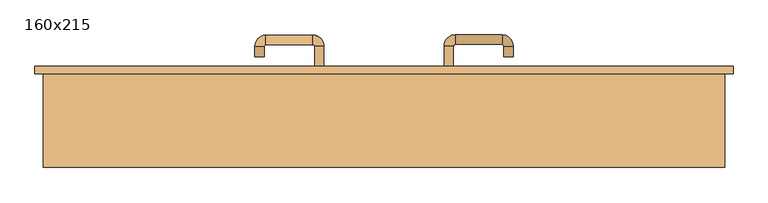
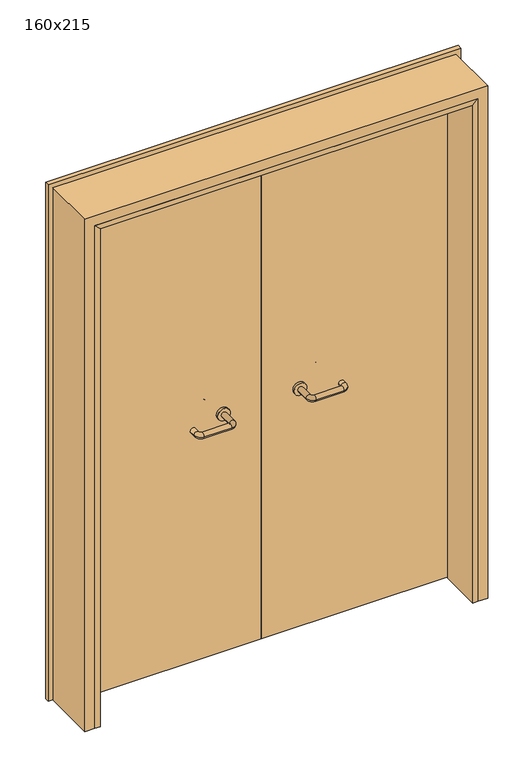
"""IFC4 building model written with IfcOpenShell, lengths in millimetres: door geometry, 160x215."""

import ifcopenshell
import ifcopenshell.guid

model = None  # the IFC model being written
_history = None  # IfcOwnerHistory: only IFC2X3 demands one
_inside = {}  # id of a spatial element -> (the spatial element, [elements in it])
_under = {}  # id of a project, library or spatial element -> (it, [spatial elements below it])
_declared = {}  # id of a project -> (the project, [libraries it declares])
_typed = {}  # id of a type object -> (the type object, [elements of that type])
_made_of = {}  # id of a material, layer set ... -> (it, [elements and type objects made of it])


def new_model(schema):
    """Start an empty IFC model of exactly this schema.

    Asked for "IFC4X3", IfcOpenShell would pick the latest addendum, in which some entities
    have other attributes; the version numbers below select the first issue.
    IFC2X3 requires an IfcOwnerHistory on every rooted entity: one is made here for all.
    """
    global model, _history
    if schema == "IFC4X3":
        model = ifcopenshell.file(schema_version=(4, 3, 0, 0))
    else:
        model = ifcopenshell.file(schema=schema)
    _inside.clear()
    _under.clear()
    _declared.clear()
    _typed.clear()
    _made_of.clear()
    _history = None
    if model.schema == "IFC2X3":
        org = make("IfcOrganization", Name="unknown")
        user = make(
            "IfcPersonAndOrganization",
            ThePerson=make("IfcPerson", FamilyName="unknown"),
            TheOrganization=org,
        )
        app = make(
            "IfcApplication",
            ApplicationDeveloper=org,
            Version="unknown",
            ApplicationFullName="unknown",
            ApplicationIdentifier="unknown",
        )
        _history = make(
            "IfcOwnerHistory",
            OwningUser=user,
            OwningApplication=app,
            ChangeAction="ADDED",
            CreationDate=0,
        )
    return model


def make(cls, **values):
    """One entity of the class cls with the attributes given. An attribute that is None is left unset."""
    return model.create_entity(
        cls, **{name: value for name, value in values.items() if value is not None}
    )


def rooted(cls, **values):
    """An entity with a GlobalId (a new one), such as an element, a storey or a relation."""
    return make(cls, GlobalId=ifcopenshell.guid.new(), OwnerHistory=_history, **values)


def si_unit(unit_type, name, prefix=None):
    """IfcSIUnit, for example si_unit("LENGTHUNIT", "METRE", prefix="MILLI")."""
    return make("IfcSIUnit", UnitType=unit_type, Prefix=prefix, Name=name)


def assignment(units):
    """IfcUnitAssignment: the units of a project."""
    return None if units is None else make("IfcUnitAssignment", Units=units)


def point(xyz):
    """IfcCartesianPoint."""
    return None if xyz is None else make("IfcCartesianPoint", Coordinates=xyz)


def direction(xyz):
    """IfcDirection."""
    return None if xyz is None else make("IfcDirection", DirectionRatios=xyz)


def frame(location, z_axis=None, x_axis=None):
    """IfcAxis2Placement3D, a coordinate frame: its origin and axes. An axis left out is left unset."""
    return make(
        "IfcAxis2Placement3D",
        Location=point(location),
        Axis=direction(z_axis),
        RefDirection=direction(x_axis),
    )


def frame_2d(location, x_axis=None):
    """IfcAxis2Placement2D, a coordinate frame in the plane: its origin and x axis."""
    return make(
        "IfcAxis2Placement2D", Location=point(location), RefDirection=direction(x_axis)
    )


def origin():
    """The frame at (0, 0, 0) with its axes left unset."""
    return frame((0.0, 0.0, 0.0))


def place(relative_to, where):
    """IfcLocalPlacement: puts the frame where relative to a parent placement (None: the world)."""
    return make(
        "IfcLocalPlacement", PlacementRelTo=relative_to, RelativePlacement=where
    )


def context(
    kind, dimensions, precision=None, world=None, true_north=None, identifier=None
):
    """IfcGeometricRepresentationContext, for example the 3D "Model" context."""
    return make(
        "IfcGeometricRepresentationContext",
        ContextIdentifier=identifier,
        ContextType=kind,
        CoordinateSpaceDimension=dimensions,
        Precision=precision,
        WorldCoordinateSystem=world,
        TrueNorth=true_north,
    )


def project(units=None, contexts=None):
    """IfcProject with its units and contexts."""
    return rooted(
        "IfcProject",
        Name="project",
        RepresentationContexts=contexts,
        UnitsInContext=assignment(units),
    )


def spatial(cls, under=None, at=None, **own):
    """A site, building, storey or space (cls), placed at a placement, below another one or the project."""
    s = rooted(cls, ObjectPlacement=at, **own)
    if under is not None:
        _under.setdefault(under.id(), (under, []))[1].append(s)
    return s


def polyline(points):
    """IfcPolyline through the points."""
    return make("IfcPolyline", Points=[point(p) for p in points])


def circle_curve(where, radius):
    """IfcCircle in the frame where."""
    return make("IfcCircle", Position=where, Radius=radius)


def ellipse_curve(where, semi_axis1, semi_axis2):
    """IfcEllipse in the frame where."""
    return make(
        "IfcEllipse", Position=where, SemiAxis1=semi_axis1, SemiAxis2=semi_axis2
    )


def trimmed(basis, trim1, trim2, sense, master):
    """IfcTrimmedCurve: the piece of a basis curve between two trims."""
    return make(
        "IfcTrimmedCurve",
        BasisCurve=basis,
        Trim1=trim1,
        Trim2=trim2,
        SenseAgreement=sense,
        MasterRepresentation=master,
    )


def segment(curve, same_sense, transition):
    """IfcCompositeCurveSegment."""
    return make(
        "IfcCompositeCurveSegment",
        Transition=transition,
        SameSense=same_sense,
        ParentCurve=curve,
    )


def composite_curve(segments, self_intersect=None):
    """IfcCompositeCurve: segments joined end to end."""
    return make("IfcCompositeCurve", Segments=segments, SelfIntersect=self_intersect)


def outline(outer, holes=None, kind="AREA"):
    """IfcArbitraryClosedProfileDef: a profile drawn as a closed curve; with holes, ...WithVoids."""
    if holes is None:
        return make("IfcArbitraryClosedProfileDef", ProfileType=kind, OuterCurve=outer)
    return make(
        "IfcArbitraryProfileDefWithVoids",
        ProfileType=kind,
        OuterCurve=outer,
        InnerCurves=holes,
    )


def extrude(swept, where, along, depth):
    """IfcExtrudedAreaSolid: the profile swept, set in the frame where, extruded along a direction by depth."""
    return make(
        "IfcExtrudedAreaSolid",
        SweptArea=swept,
        Position=where,
        ExtrudedDirection=direction(along),
        Depth=depth,
    )


def faces_of(points, faces, orient=None, outer=None):
    """IfcFace entities. A face is a list of loops; a loop is a list of indices into points, from 0.

    orient and outer hold one flag for each loop. By default every Orientation is true, the
    first loop of a face is its IfcFaceOuterBound and the others are IfcFaceBound.
    """
    made = []
    for i, loops in enumerate(faces):
        bounds = []
        for j, loop in enumerate(loops):
            is_outer = j == 0 if outer is None else outer[i][j]
            bounds.append(
                make(
                    "IfcFaceOuterBound" if is_outer else "IfcFaceBound",
                    Bound=make("IfcPolyLoop", Polygon=[points[k] for k in loop]),
                    Orientation=True if orient is None else orient[i][j],
                )
            )
        made.append(make("IfcFace", Bounds=bounds))
    return made


def faceted_brep(points, faces, orient=None, outer=None, voids=None):
    """IfcFacetedBrep: a solid bounded by flat faces; with voids (closed shells), ...WithVoids."""
    shared = [point(p) for p in points]
    hull = make("IfcClosedShell", CfsFaces=faces_of(shared, faces, orient, outer))
    if voids is None:
        return make("IfcFacetedBrep", Outer=hull)
    return make(
        "IfcFacetedBrepWithVoids",
        Outer=hull,
        Voids=[
            make(cls, CfsFaces=faces_of(shared, fs, o, b)) for cls, fs, o, b in voids
        ],
    )


def shape(context_of_items, identifier, shape_type, items):
    """IfcShapeRepresentation: the items that make up one representation, for example the "Body"."""
    return make(
        "IfcShapeRepresentation",
        ContextOfItems=context_of_items,
        RepresentationIdentifier=identifier,
        RepresentationType=shape_type,
        Items=items,
    )


def source(mapping_origin, context_of_items, identifier, shape_type, items):
    """IfcRepresentationMap: a shape defined once, which mapped items show again and again."""
    return make(
        "IfcRepresentationMap",
        MappingOrigin=mapping_origin,
        MappedRepresentation=shape(context_of_items, identifier, shape_type, items),
    )


def transform(
    local_origin,
    x_axis=None,
    y_axis=None,
    z_axis=None,
    scale=None,
    scale2=None,
    scale3=None,
    uniform=True,
):
    """IfcCartesianTransformationOperator3D, or its non-uniform kind. x_axis, y_axis, z_axis: its Axis1, 2, 3."""
    if uniform:
        return make(
            "IfcCartesianTransformationOperator3D",
            Axis1=direction(x_axis),
            Axis2=direction(y_axis),
            LocalOrigin=point(local_origin),
            Scale=scale,
            Axis3=direction(z_axis),
        )
    return make(
        "IfcCartesianTransformationOperator3DnonUniform",
        Axis1=direction(x_axis),
        Axis2=direction(y_axis),
        LocalOrigin=point(local_origin),
        Scale=scale,
        Axis3=direction(z_axis),
        Scale2=scale2,
        Scale3=scale3,
    )


def mapped(mapping_source, mapping_target):
    """IfcMappedItem: shows the shape of a source again, moved by a transform."""
    return make(
        "IfcMappedItem", MappingSource=mapping_source, MappingTarget=mapping_target
    )


def made_of(thing, what):
    """Note that an element or type object is made of a material, layer set ...; save() writes the relation."""
    if what is not None:
        _made_of.setdefault(what.id(), (what, []))[1].append(thing)
    return thing


def element(
    cls,
    number,
    at=None,
    inside=None,
    cuts=None,
    type_object=None,
    material=None,
    context=None,
    identifier="Body",
    shape_type=None,
    held_by="IfcProductDefinitionShape",
    body=None,
    shapes=None,
    **own,
):
    """One element of the class cls, such as IfcWall. Its Tag is "e" and its number.

    at: its placement. inside: the storey or other place that contains it. cuts: it is an
    opening in that element (IfcRelVoidsElement). A single representation is given by context,
    identifier, shape_type and body (its items); several are given by shapes. held_by: the class
    of the entity that holds the representations. save() writes the other relations.
    """
    e = rooted(cls, Tag="e%d" % number, ObjectPlacement=at, **own)
    if body is not None:
        shapes = [shape(context, identifier, shape_type, body)]
    if shapes is not None:
        e.Representation = make(held_by, Representations=shapes)
    if inside is not None:
        _inside.setdefault(inside.id(), (inside, []))[1].append(e)
    if cuts is not None:
        rooted(
            "IfcRelVoidsElement", RelatingBuildingElement=cuts, RelatedOpeningElement=e
        )
    if type_object is not None:
        _typed.setdefault(type_object.id(), (type_object, []))[1].append(e)
    return made_of(e, material)


def aggregate(whole, parts):
    """IfcRelAggregates: a whole, such as a stair, and the parts it consists of."""
    return rooted("IfcRelAggregates", RelatingObject=whole, RelatedObjects=parts)


def save(model, path):
    """Write the relations noted so far, then the file.

    IfcRelAggregates (storeys below a building ...), IfcRelContainedInSpatialStructure (elements
    in a storey), IfcRelDefinesByType, IfcRelAssociatesMaterial and IfcRelDeclares: one each for
    every whole, place, type object, material and project.
    """
    for whole, parts in _under.values():
        aggregate(whole, parts)
    for where, things in _inside.values():
        rooted(
            "IfcRelContainedInSpatialStructure",
            RelatedElements=things,
            RelatingStructure=where,
        )
    for kind, things in _typed.values():
        rooted("IfcRelDefinesByType", RelatedObjects=things, RelatingType=kind)
    for what, things in _made_of.values():
        rooted("IfcRelAssociatesMaterial", RelatedObjects=things, RelatingMaterial=what)
    for by, libraries in _declared.values():
        rooted("IfcRelDeclares", RelatingContext=by, RelatedDefinitions=libraries)
    model.write(path)


def plane_surface(at):
    """IfcPlane: the flat surface through the origin of the frame at, square to its z axis."""
    return make("IfcPlane", Position=at)


def cylinder_surface(at, radius):
    """IfcCylindricalSurface: all points at the distance radius from the z axis of the frame at."""
    return make("IfcCylindricalSurface", Position=at, Radius=radius)


def revolved_surface(curve, axis_point, axis_direction):
    """IfcSurfaceOfRevolution: the curve turned about the line through axis_point along axis_direction."""
    return make(
        "IfcSurfaceOfRevolution",
        SweptCurve=make("IfcArbitraryOpenProfileDef", ProfileType="CURVE", Curve=curve),
        AxisPosition=make("IfcAxis1Placement", Location=point(axis_point), Axis=direction(axis_direction)),
    )


def advanced_brep(points, edges, surfaces, faces):
    """IfcAdvancedBrep: a solid bounded by faces that lie on surfaces and meet in shared edges.

    An edge is (start, end): straight between two places in points (the first is 0);
    or (start, end, curve); or (start, end, curve, False) where it runs against its curve.
    A face is (place in surfaces, loops), or (place, loops, False) where it looks against
    its surface's normal. A loop lists edges by number (the first is 1), with a minus sign
    where the edge is run from its end to its start. The first loop is the outer one.
    """
    corners = [point(p) for p in points]
    vertices = [make("IfcVertexPoint", VertexGeometry=c) for c in corners]
    made = []
    for start, end, *more in edges:
        made.append(
            make(
                "IfcEdgeCurve",
                EdgeStart=vertices[start],
                EdgeEnd=vertices[end],
                EdgeGeometry=more[0] if more else make("IfcPolyline", Points=[corners[start], corners[end]]),
                SameSense=more[1] if len(more) > 1 else True,
            )
        )
    hull = []
    for where, loops, *sense in faces:
        bounds = []
        for j, loop in enumerate(loops):
            ring = [make("IfcOrientedEdge", EdgeElement=made[abs(k) - 1], Orientation=k > 0) for k in loop]
            bounds.append(
                make(
                    "IfcFaceOuterBound" if j == 0 else "IfcFaceBound",
                    Bound=make("IfcEdgeLoop", EdgeList=ring),
                    Orientation=True,
                )
            )
        hull.append(make("IfcAdvancedFace", Bounds=bounds, FaceSurface=surfaces[where], SameSense=sense[0] if sense else True))
    return make("IfcAdvancedBrep", Outer=make("IfcClosedShell", CfsFaces=hull))


def door_160x215_5213aa7e(model_context):
    return source(origin(), model_context, "Body", "SolidModel", [
        faceted_brep([(-740.0, 253.0, 0.0), (-740.0, 80.0, 0.0), (-760.0, 80.0, 0.0), (-760.0, 253.0, 0.0), (-740.0, 253.0, 2090.0), (-740.0, 80.0, 2090.0), (-760.0, 80.0, 2110.0), (-760.0, 253.0, 2110.0), (740.0, 253.0, 0.0), (760.0, 253.0, 0.0), (760.0, 80.0, 0.0), (740.0, 80.0, 0.0), (740.0, 253.0, 2090.0), (760.0, 253.0, 2110.0), (760.0, 80.0, 2110.0), (740.0, 80.0, 2090.0)], [[[0, 1, 2, 3]], [[1, 0, 4, 5]], [[2, 1, 5, 6]], [[3, 2, 6, 7]], [[0, 3, 7, 4]], [[8, 9, 10, 11]], [[12, 13, 9, 8]], [[13, 14, 10, 9]], [[14, 15, 11, 10]], [[15, 12, 8, 11]], [[5, 4, 12, 15]], [[6, 5, 15, 14]], [[7, 6, 14, 13]], [[4, 7, 13, 12]]]),
        extrude(outline(polyline([(2169.0, 819.0), (2169.0, -819.0), (0.0, -819.0), (0.0, -775.0), (2125.0, -775.0), (2125.0, 775.0), (0.0, 775.0), (0.0, 819.0), (2169.0, 819.0)])), frame((0.0, 300.0, 0.0), z_axis=(0.0, 1.0, 0.0), x_axis=(0.0, 0.0, 1.0)), (0.0, 0.0, 1.0), 18.0),
        extrude(outline(polyline([(2150.0, -800.0), (0.0, -800.0), (0.0, -760.0), (2110.0, -760.0), (2110.0, 760.0), (0.0, 760.0), (0.0, 800.0), (2150.0, 800.0), (2150.0, -800.0)])), frame((0.0, 80.0, 0.0), z_axis=(0.0, 1.0, 0.0), x_axis=(0.0, 0.0, 1.0)), (0.0, 0.0, 1.0), 220.0),
        advanced_brep(
        [(140.99898, 246.0, 1003.0), (162.99898, 246.0, 1003.0), (140.99898, 190.6474631, 1003.0), (162.99898, 190.6474631, 1003.0), (166.99898, 186.6474631, 1003.0), (166.99898, 164.6474631, 1003.0), (276.99898, 164.6474631, 1003.0), (276.99898, 186.6474631, 1003.0), (280.99898, 190.6474631, 1003.0), (302.99898, 190.6474631, 1003.0), (302.99898, 208.0, 1003.0), (280.99898, 208.0, 1003.0)],
        [
            (0, 1, circle_curve(frame((151.99898, 246.0, 1003.0), z_axis=(0.0, 1.0, 0.0), x_axis=(1.0, 0.0, 0.0)), 11.0)),
            (1, 0, circle_curve(frame((151.99898, 246.0, 1003.0), z_axis=(0.0, 1.0, 0.0), x_axis=(1.0, 0.0, 0.0)), 11.0)),
            (0, 2),
            (2, 3, circle_curve(frame((151.99898, 190.6474631, 1003.0), z_axis=(0.0, 1.0, 0.0), x_axis=(1.0, 0.0, 0.0)), 11.0)),
            (3, 1),
            (3, 2, circle_curve(frame((151.99898, 190.6474631, 1003.0), z_axis=(0.0, 1.0, 0.0), x_axis=(1.0, 0.0, 0.0)), 11.0)),
            (4, 3, circle_curve(frame((166.99898, 190.6474631, 1003.0), z_axis=(0.0, 0.0, -1.0), x_axis=(-1.0, 0.0, 0.0)), 4.0)),
            (2, 5, circle_curve(frame((166.99898, 190.6474631, 1003.0), z_axis=(0.0, 0.0, 1.0), x_axis=(-1.0, 0.0, 0.0)), 26.0)),
            (5, 4, circle_curve(frame((166.99898, 175.6474631, 1003.0), z_axis=(-1.0, 0.0, 0.0), x_axis=(0.0, 1.0, 0.0)), 11.0)),
            (4, 5, circle_curve(frame((166.99898, 175.6474631, 1003.0), z_axis=(-1.0, 0.0, 0.0), x_axis=(0.0, 1.0, 0.0)), 11.0)),
            (5, 6),
            (6, 7, circle_curve(frame((276.99898, 175.6474631, 1003.0), z_axis=(-1.0, 0.0, 0.0), x_axis=(0.0, 1.0, 0.0)), 11.0)),
            (7, 4),
            (7, 6, circle_curve(frame((276.99898, 175.6474631, 1003.0), z_axis=(-1.0, 0.0, 0.0), x_axis=(0.0, 1.0, 0.0)), 11.0)),
            (8, 7, circle_curve(frame((276.99898, 190.6474631, 1003.0), z_axis=(0.0, 0.0, -1.0), x_axis=(0.0, -1.0, 0.0)), 4.0)),
            (6, 9, circle_curve(frame((276.99898, 190.6474631, 1003.0), z_axis=(0.0, 0.0, 1.0), x_axis=(0.0, -1.0, 0.0)), 26.0)),
            (9, 8, circle_curve(frame((291.99898, 190.6474631, 1003.0), z_axis=(0.0, -1.0, 0.0), x_axis=(-1.0, 0.0, 0.0)), 11.0)),
            (8, 9, circle_curve(frame((291.99898, 190.6474631, 1003.0), z_axis=(0.0, -1.0, 0.0), x_axis=(-1.0, 0.0, 0.0)), 11.0)),
            (10, 11, circle_curve(frame((291.99898, 208.0, 1003.0), z_axis=(0.0, 1.0, 0.0), x_axis=(-1.0, 0.0, 0.0)), 11.0)),
            (11, 10, circle_curve(frame((291.99898, 208.0, 1003.0), z_axis=(0.0, 1.0, 0.0), x_axis=(-1.0, 0.0, 0.0)), 11.0)),
            (9, 10),
            (11, 8),
        ],
        [
            plane_surface(frame((140.99898, 246.0, 1003.0), z_axis=(0.0, 1.0, 0.0), x_axis=(0.0, 0.0, -1.0))),
            cylinder_surface(frame((151.99898, 246.0, 1003.0), z_axis=(0.0, 1.0, 0.0), x_axis=(1.0, 0.0, 0.0)), 11.0),
            revolved_surface(trimmed(ellipse_curve(frame((151.99898, 190.6474631, 1003.0), z_axis=(0.0, 1.0, 0.0), x_axis=(1.0, 0.0, 0.0)), 11.0, 11.0), [point((140.99898, 190.6474631, 1003.0))], [point((162.99898, 190.6474631, 1003.0))], True, "CARTESIAN"), (166.99898, 190.6474631, 1003.0), (0.0, 0.0, 1.0)),
            revolved_surface(trimmed(ellipse_curve(frame((151.99898, 190.6474631, 1003.0), z_axis=(0.0, 1.0, 0.0), x_axis=(1.0, 0.0, 0.0)), 11.0, 11.0), [point((162.99898, 190.6474631, 1003.0))], [point((140.99898, 190.6474631, 1003.0))], True, "CARTESIAN"), (166.99898, 190.6474631, 1003.0), (0.0, 0.0, 1.0)),
            cylinder_surface(frame((166.99898, 175.6474631, 1003.0), z_axis=(-1.0, 0.0, 0.0), x_axis=(0.0, 1.0, 0.0)), 11.0),
            revolved_surface(trimmed(ellipse_curve(frame((276.99898, 175.6474631, 1003.0), z_axis=(-1.0, 0.0, 0.0), x_axis=(0.0, 1.0, 0.0)), 11.0, 11.0), [point((276.99898, 164.6474631, 1003.0))], [point((276.99898, 186.6474631, 1003.0))], True, "CARTESIAN"), (276.99898, 190.6474631, 1003.0), (0.0, 0.0, 1.0)),
            revolved_surface(trimmed(ellipse_curve(frame((276.99898, 175.6474631, 1003.0), z_axis=(-1.0, 0.0, 0.0), x_axis=(0.0, 1.0, 0.0)), 11.0, 11.0), [point((276.99898, 186.6474631, 1003.0))], [point((276.99898, 164.6474631, 1003.0))], True, "CARTESIAN"), (276.99898, 190.6474631, 1003.0), (0.0, 0.0, 1.0)),
            plane_surface(frame((280.99898, 208.0, 1003.0), z_axis=(0.0, 1.0, 0.0), x_axis=(0.0, 0.0, 1.0))),
            cylinder_surface(frame((291.99898, 190.6474631, 1003.0), z_axis=(0.0, -1.0, 0.0), x_axis=(-1.0, 0.0, 0.0)), 11.0),
        ],
        [
            (0, [[1, 2]]),
            (1, [[-1, 3, 4, 5]]),
            (1, [[-2, -5, 6, -3]]),
            (2, [[7, -4, 8, 9]]),
            (3, [[-8, -6, -7, 10]]),
            (4, [[-9, 11, 12, 13]]),
            (4, [[-10, -13, 14, -11]]),
            (5, [[15, -12, 16, 17]]),
            (6, [[-16, -14, -15, 18]]),
            (7, [[19, 20]]),
            (8, [[-17, 21, -20, 22]]),
            (8, [[-18, -22, -19, -21]]),
        ],
    ),
        extrude(outline(composite_curve([segment(trimmed(circle_curve(frame_2d((1003.0, 151.99898)), 25.0), [point((1003.0, 126.99898))], [point((1003.0, 176.99898))], False, "CARTESIAN"), True, "CONTINUOUS"), segment(trimmed(circle_curve(frame_2d((1003.0, 151.99898)), 25.0), [point((1003.0, 176.99898))], [point((1003.0, 126.99898))], False, "CARTESIAN"), True, "CONTINUOUS")], self_intersect=False)), frame((0.0, 246.0, 0.0), z_axis=(0.0, 1.0, 0.0), x_axis=(0.0, 0.0, 1.0)), (0.0, 0.0, 1.0), 10.0),
        advanced_brep(
        [(162.99898, 310.0, 1003.0), (140.99898, 310.0, 1003.0), (162.99898, 365.0, 1003.0), (140.99898, 365.0, 1003.0), (166.99898, 391.0, 1003.0), (166.99898, 369.0, 1003.0), (276.99898, 369.0, 1003.0), (276.99898, 391.0, 1003.0), (302.99898, 365.0, 1003.0), (280.99898, 365.0, 1003.0), (280.99898, 340.0, 1003.0), (302.99898, 340.0, 1003.0)],
        [
            (0, 1, circle_curve(frame((151.99898, 310.0, 1003.0), z_axis=(0.0, -1.0, 0.0), x_axis=(-1.0, 0.0, 0.0)), 11.0)),
            (1, 0, circle_curve(frame((151.99898, 310.0, 1003.0), z_axis=(0.0, -1.0, 0.0), x_axis=(-1.0, 0.0, 0.0)), 11.0)),
            (0, 2),
            (2, 3, circle_curve(frame((151.99898, 365.0, 1003.0), z_axis=(0.0, -1.0, 0.0), x_axis=(-1.0, 0.0, 0.0)), 11.0)),
            (3, 1),
            (3, 2, circle_curve(frame((151.99898, 365.0, 1003.0), z_axis=(0.0, -1.0, 0.0), x_axis=(-1.0, 0.0, 0.0)), 11.0)),
            (4, 3, circle_curve(frame((166.99898, 365.0, 1003.0), z_axis=(0.0, 0.0, 1.0), x_axis=(-1.0, 0.0, 0.0)), 26.0)),
            (2, 5, circle_curve(frame((166.99898, 365.0, 1003.0), z_axis=(0.0, 0.0, -1.0), x_axis=(-1.0, 0.0, 0.0)), 4.0)),
            (5, 4, circle_curve(frame((166.99898, 380.0, 1003.0), z_axis=(-1.0, 0.0, 0.0), x_axis=(0.0, 1.0, 0.0)), 11.0)),
            (4, 5, circle_curve(frame((166.99898, 380.0, 1003.0), z_axis=(-1.0, 0.0, 0.0), x_axis=(0.0, 1.0, 0.0)), 11.0)),
            (5, 6),
            (6, 7, circle_curve(frame((276.99898, 380.0, 1003.0), z_axis=(-1.0, 0.0, 0.0), x_axis=(0.0, 1.0, 0.0)), 11.0)),
            (7, 4),
            (7, 6, circle_curve(frame((276.99898, 380.0, 1003.0), z_axis=(-1.0, 0.0, 0.0), x_axis=(0.0, 1.0, 0.0)), 11.0)),
            (8, 7, circle_curve(frame((276.99898, 365.0, 1003.0), z_axis=(0.0, 0.0, 1.0), x_axis=(0.0, 1.0, 0.0)), 26.0)),
            (6, 9, circle_curve(frame((276.99898, 365.0, 1003.0), z_axis=(0.0, 0.0, -1.0), x_axis=(0.0, 1.0, 0.0)), 4.0)),
            (9, 8, circle_curve(frame((291.99898, 365.0, 1003.0), z_axis=(0.0, 1.0, 0.0), x_axis=(1.0, 0.0, 0.0)), 11.0)),
            (8, 9, circle_curve(frame((291.99898, 365.0, 1003.0), z_axis=(0.0, 1.0, 0.0), x_axis=(1.0, 0.0, 0.0)), 11.0)),
            (10, 11, circle_curve(frame((291.99898, 340.0, 1003.0), z_axis=(0.0, -1.0, 0.0), x_axis=(1.0, 0.0, 0.0)), 11.0)),
            (11, 10, circle_curve(frame((291.99898, 340.0, 1003.0), z_axis=(0.0, -1.0, 0.0), x_axis=(1.0, 0.0, 0.0)), 11.0)),
            (9, 10),
            (11, 8),
        ],
        [
            plane_surface(frame((140.99898, 310.0, 1003.0), z_axis=(0.0, -1.0, 0.0), x_axis=(0.0, 0.0, 1.0))),
            cylinder_surface(frame((151.99898, 310.0, 1003.0), z_axis=(0.0, -1.0, 0.0), x_axis=(-1.0, 0.0, 0.0)), 11.0),
            revolved_surface(trimmed(ellipse_curve(frame((151.99898, 365.0, 1003.0), z_axis=(0.0, -1.0, 0.0), x_axis=(-1.0, 0.0, 0.0)), 11.0, 11.0), [point((162.99898, 365.0, 1003.0))], [point((140.99898, 365.0, 1003.0))], True, "CARTESIAN"), (166.99898, 365.0, 1003.0), (0.0, 0.0, -1.0)),
            revolved_surface(trimmed(ellipse_curve(frame((151.99898, 365.0, 1003.0), z_axis=(0.0, -1.0, 0.0), x_axis=(-1.0, 0.0, 0.0)), 11.0, 11.0), [point((140.99898, 365.0, 1003.0))], [point((162.99898, 365.0, 1003.0))], True, "CARTESIAN"), (166.99898, 365.0, 1003.0), (0.0, 0.0, -1.0)),
            cylinder_surface(frame((166.99898, 380.0, 1003.0), z_axis=(-1.0, 0.0, 0.0), x_axis=(0.0, 1.0, 0.0)), 11.0),
            revolved_surface(trimmed(ellipse_curve(frame((276.99898, 380.0, 1003.0), z_axis=(-1.0, 0.0, 0.0), x_axis=(0.0, 1.0, 0.0)), 11.0, 11.0), [point((276.99898, 369.0, 1003.0))], [point((276.99898, 391.0, 1003.0))], True, "CARTESIAN"), (276.99898, 365.0, 1003.0), (0.0, 0.0, -1.0)),
            revolved_surface(trimmed(ellipse_curve(frame((276.99898, 380.0, 1003.0), z_axis=(-1.0, 0.0, 0.0), x_axis=(0.0, 1.0, 0.0)), 11.0, 11.0), [point((276.99898, 391.0, 1003.0))], [point((276.99898, 369.0, 1003.0))], True, "CARTESIAN"), (276.99898, 365.0, 1003.0), (0.0, 0.0, -1.0)),
            plane_surface(frame((280.99898, 340.0, 1003.0), z_axis=(0.0, -1.0, 0.0), x_axis=(0.0, 0.0, -1.0))),
            cylinder_surface(frame((291.99898, 365.0, 1003.0), z_axis=(0.0, 1.0, 0.0), x_axis=(1.0, 0.0, 0.0)), 11.0),
        ],
        [
            (0, [[1, 2]]),
            (1, [[-1, 3, 4, 5]]),
            (1, [[-2, -5, 6, -3]]),
            (2, [[7, -4, 8, 9]]),
            (3, [[-8, -6, -7, 10]]),
            (4, [[-9, 11, 12, 13]]),
            (4, [[-10, -13, 14, -11]]),
            (5, [[15, -12, 16, 17]]),
            (6, [[-16, -14, -15, 18]]),
            (7, [[19, 20]]),
            (8, [[-17, 21, -20, 22]]),
            (8, [[-18, -22, -19, -21]]),
        ],
    ),
        extrude(outline(composite_curve([segment(trimmed(circle_curve(frame_2d((1003.0, 151.99898)), 25.0), [point((1003.0, 176.99898))], [point((1003.0, 126.99898))], False, "CARTESIAN"), True, "CONTINUOUS"), segment(trimmed(circle_curve(frame_2d((1003.0, 151.99898)), 25.0), [point((1003.0, 126.99898))], [point((1003.0, 176.99898))], False, "CARTESIAN"), True, "CONTINUOUS")], self_intersect=False)), frame((0.0, 300.0, 0.0), z_axis=(0.0, 1.0, 0.0), x_axis=(0.0, 0.0, 1.0)), (0.0, 0.0, 1.0), 10.0),
        advanced_brep(
        [(-162.99898, 245.6886121, 1003.0), (-140.99898, 245.6886121, 1003.0), (-162.99898, 190.2779553, 1003.0), (-140.99898, 190.2779553, 1003.0), (-166.99898, 164.2779553, 1003.0), (-166.99898, 186.2779553, 1003.0), (-276.99898, 186.2779553, 1003.0), (-276.99898, 164.2779553, 1003.0), (-302.99898, 190.2779553, 1003.0), (-280.99898, 190.2779553, 1003.0), (-280.99898, 215.2779553, 1003.0), (-302.99898, 215.2779553, 1003.0)],
        [
            (0, 1, circle_curve(frame((-151.99898, 245.6886121, 1003.0), z_axis=(0.0, 1.0, 0.0), x_axis=(1.0, 0.0, 0.0)), 11.0)),
            (1, 0, circle_curve(frame((-151.99898, 245.6886121, 1003.0), z_axis=(0.0, 1.0, 0.0), x_axis=(1.0, 0.0, 0.0)), 11.0)),
            (0, 2),
            (2, 3, circle_curve(frame((-151.99898, 190.2779553, 1003.0), z_axis=(0.0, 1.0, 0.0), x_axis=(1.0, 0.0, 0.0)), 11.0)),
            (3, 1),
            (3, 2, circle_curve(frame((-151.99898, 190.2779553, 1003.0), z_axis=(0.0, 1.0, 0.0), x_axis=(1.0, 0.0, 0.0)), 11.0)),
            (4, 3, circle_curve(frame((-166.99898, 190.2779553, 1003.0), z_axis=(0.0, 0.0, 1.0), x_axis=(1.0, 0.0, 0.0)), 26.0)),
            (2, 5, circle_curve(frame((-166.99898, 190.2779553, 1003.0), z_axis=(0.0, 0.0, -1.0), x_axis=(1.0, 0.0, 0.0)), 4.0)),
            (5, 4, circle_curve(frame((-166.99898, 175.2779553, 1003.0), z_axis=(1.0, 0.0, 0.0), x_axis=(0.0, -1.0, 0.0)), 11.0)),
            (4, 5, circle_curve(frame((-166.99898, 175.2779553, 1003.0), z_axis=(1.0, 0.0, 0.0), x_axis=(0.0, -1.0, 0.0)), 11.0)),
            (5, 6),
            (6, 7, circle_curve(frame((-276.99898, 175.2779553, 1003.0), z_axis=(1.0, 0.0, 0.0), x_axis=(0.0, -1.0, 0.0)), 11.0)),
            (7, 4),
            (7, 6, circle_curve(frame((-276.99898, 175.2779553, 1003.0), z_axis=(1.0, 0.0, 0.0), x_axis=(0.0, -1.0, 0.0)), 11.0)),
            (8, 7, circle_curve(frame((-276.99898, 190.2779553, 1003.0), z_axis=(0.0, 0.0, 1.0), x_axis=(0.0, -1.0, 0.0)), 26.0)),
            (6, 9, circle_curve(frame((-276.99898, 190.2779553, 1003.0), z_axis=(0.0, 0.0, -1.0), x_axis=(0.0, -1.0, 0.0)), 4.0)),
            (9, 8, circle_curve(frame((-291.99898, 190.2779553, 1003.0), z_axis=(0.0, -1.0, 0.0), x_axis=(-1.0, 0.0, 0.0)), 11.0)),
            (8, 9, circle_curve(frame((-291.99898, 190.2779553, 1003.0), z_axis=(0.0, -1.0, 0.0), x_axis=(-1.0, 0.0, 0.0)), 11.0)),
            (10, 11, circle_curve(frame((-291.99898, 215.2779553, 1003.0), z_axis=(0.0, 1.0, 0.0), x_axis=(-1.0, 0.0, 0.0)), 11.0)),
            (11, 10, circle_curve(frame((-291.99898, 215.2779553, 1003.0), z_axis=(0.0, 1.0, 0.0), x_axis=(-1.0, 0.0, 0.0)), 11.0)),
            (9, 10),
            (11, 8),
        ],
        [
            plane_surface(frame((-162.99898, 245.6886121, 1003.0), z_axis=(0.0, 1.0, 0.0), x_axis=(0.0, 0.0, -1.0))),
            cylinder_surface(frame((-151.99898, 245.6886121, 1003.0), z_axis=(0.0, 1.0, 0.0), x_axis=(1.0, 0.0, 0.0)), 11.0),
            revolved_surface(trimmed(ellipse_curve(frame((-151.99898, 190.2779553, 1003.0), z_axis=(0.0, 1.0, 0.0), x_axis=(1.0, 0.0, 0.0)), 11.0, 11.0), [point((-162.99898, 190.2779553, 1003.0))], [point((-140.99898, 190.2779553, 1003.0))], True, "CARTESIAN"), (-166.99898, 190.2779553, 1003.0), (0.0, 0.0, -1.0)),
            revolved_surface(trimmed(ellipse_curve(frame((-151.99898, 190.2779553, 1003.0), z_axis=(0.0, 1.0, 0.0), x_axis=(1.0, 0.0, 0.0)), 11.0, 11.0), [point((-140.99898, 190.2779553, 1003.0))], [point((-162.99898, 190.2779553, 1003.0))], True, "CARTESIAN"), (-166.99898, 190.2779553, 1003.0), (0.0, 0.0, -1.0)),
            cylinder_surface(frame((-166.99898, 175.2779553, 1003.0), z_axis=(1.0, 0.0, 0.0), x_axis=(0.0, -1.0, 0.0)), 11.0),
            revolved_surface(trimmed(ellipse_curve(frame((-276.99898, 175.2779553, 1003.0), z_axis=(1.0, 0.0, 0.0), x_axis=(0.0, -1.0, 0.0)), 11.0, 11.0), [point((-276.99898, 186.2779553, 1003.0))], [point((-276.99898, 164.2779553, 1003.0))], True, "CARTESIAN"), (-276.99898, 190.2779553, 1003.0), (0.0, 0.0, -1.0)),
            revolved_surface(trimmed(ellipse_curve(frame((-276.99898, 175.2779553, 1003.0), z_axis=(1.0, 0.0, 0.0), x_axis=(0.0, -1.0, 0.0)), 11.0, 11.0), [point((-276.99898, 164.2779553, 1003.0))], [point((-276.99898, 186.2779553, 1003.0))], True, "CARTESIAN"), (-276.99898, 190.2779553, 1003.0), (0.0, 0.0, -1.0)),
            plane_surface(frame((-302.99898, 215.2779553, 1003.0), z_axis=(0.0, 1.0, 0.0), x_axis=(0.0, 0.0, 1.0))),
            cylinder_surface(frame((-291.99898, 190.2779553, 1003.0), z_axis=(0.0, -1.0, 0.0), x_axis=(-1.0, 0.0, 0.0)), 11.0),
        ],
        [
            (0, [[1, 2]]),
            (1, [[-1, 3, 4, 5]]),
            (1, [[-2, -5, 6, -3]]),
            (2, [[7, -4, 8, 9]]),
            (3, [[-8, -6, -7, 10]]),
            (4, [[-9, 11, 12, 13]]),
            (4, [[-10, -13, 14, -11]]),
            (5, [[15, -12, 16, 17]]),
            (6, [[-16, -14, -15, 18]]),
            (7, [[19, 20]]),
            (8, [[-17, 21, -20, 22]]),
            (8, [[-18, -22, -19, -21]]),
        ],
    ),
        extrude(outline(composite_curve([segment(trimmed(circle_curve(frame_2d((1003.0, -151.99898)), 25.0), [point((1003.0, -176.99898))], [point((1003.0, -126.99898))], False, "CARTESIAN"), True, "CONTINUOUS"), segment(trimmed(circle_curve(frame_2d((1003.0, -151.99898)), 25.0), [point((1003.0, -126.99898))], [point((1003.0, -176.99898))], False, "CARTESIAN"), True, "CONTINUOUS")], self_intersect=False)), frame((0.0, 245.6886121, 0.0), z_axis=(0.0, 1.0, 0.0), x_axis=(0.0, 0.0, 1.0)), (0.0, 0.0, 1.0), 10.3113879),
        advanced_brep(
        [(-140.99898, 309.5143417, 1003.0), (-162.99898, 309.5143417, 1003.0), (-140.99898, 364.6104656, 1003.0), (-162.99898, 364.6104656, 1003.0), (-166.99898, 368.6104656, 1003.0), (-166.99898, 390.6104656, 1003.0), (-276.99898, 390.6104656, 1003.0), (-276.99898, 368.6104656, 1003.0), (-280.99898, 364.6104656, 1003.0), (-302.99898, 364.6104656, 1003.0), (-302.99898, 339.6104656, 1003.0), (-280.99898, 339.6104656, 1003.0)],
        [
            (0, 1, circle_curve(frame((-151.99898, 309.5143417, 1003.0), z_axis=(0.0, -1.0, 0.0), x_axis=(-1.0, 0.0, 0.0)), 11.0)),
            (1, 0, circle_curve(frame((-151.99898, 309.5143417, 1003.0), z_axis=(0.0, -1.0, 0.0), x_axis=(-1.0, 0.0, 0.0)), 11.0)),
            (0, 2),
            (2, 3, circle_curve(frame((-151.99898, 364.6104656, 1003.0), z_axis=(0.0, -1.0, 0.0), x_axis=(-1.0, 0.0, 0.0)), 11.0)),
            (3, 1),
            (3, 2, circle_curve(frame((-151.99898, 364.6104656, 1003.0), z_axis=(0.0, -1.0, 0.0), x_axis=(-1.0, 0.0, 0.0)), 11.0)),
            (4, 3, circle_curve(frame((-166.99898, 364.6104656, 1003.0), z_axis=(0.0, 0.0, -1.0), x_axis=(1.0, 0.0, 0.0)), 4.0)),
            (2, 5, circle_curve(frame((-166.99898, 364.6104656, 1003.0), z_axis=(0.0, 0.0, 1.0), x_axis=(1.0, 0.0, 0.0)), 26.0)),
            (5, 4, circle_curve(frame((-166.99898, 379.6104656, 1003.0), z_axis=(1.0, 0.0, 0.0), x_axis=(0.0, -1.0, 0.0)), 11.0)),
            (4, 5, circle_curve(frame((-166.99898, 379.6104656, 1003.0), z_axis=(1.0, 0.0, 0.0), x_axis=(0.0, -1.0, 0.0)), 11.0)),
            (5, 6),
            (6, 7, circle_curve(frame((-276.99898, 379.6104656, 1003.0), z_axis=(1.0, 0.0, 0.0), x_axis=(0.0, -1.0, 0.0)), 11.0)),
            (7, 4),
            (7, 6, circle_curve(frame((-276.99898, 379.6104656, 1003.0), z_axis=(1.0, 0.0, 0.0), x_axis=(0.0, -1.0, 0.0)), 11.0)),
            (8, 7, circle_curve(frame((-276.99898, 364.6104656, 1003.0), z_axis=(0.0, 0.0, -1.0), x_axis=(0.0, 1.0, 0.0)), 4.0)),
            (6, 9, circle_curve(frame((-276.99898, 364.6104656, 1003.0), z_axis=(0.0, 0.0, 1.0), x_axis=(0.0, 1.0, 0.0)), 26.0)),
            (9, 8, circle_curve(frame((-291.99898, 364.6104656, 1003.0), z_axis=(0.0, 1.0, 0.0), x_axis=(1.0, 0.0, 0.0)), 11.0)),
            (8, 9, circle_curve(frame((-291.99898, 364.6104656, 1003.0), z_axis=(0.0, 1.0, 0.0), x_axis=(1.0, 0.0, 0.0)), 11.0)),
            (10, 11, circle_curve(frame((-291.99898, 339.6104656, 1003.0), z_axis=(0.0, -1.0, 0.0), x_axis=(1.0, 0.0, 0.0)), 11.0)),
            (11, 10, circle_curve(frame((-291.99898, 339.6104656, 1003.0), z_axis=(0.0, -1.0, 0.0), x_axis=(1.0, 0.0, 0.0)), 11.0)),
            (9, 10),
            (11, 8),
        ],
        [
            plane_surface(frame((-162.99898, 309.5143417, 1003.0), z_axis=(0.0, -1.0, 0.0), x_axis=(0.0, 0.0, 1.0))),
            cylinder_surface(frame((-151.99898, 309.5143417, 1003.0), z_axis=(0.0, -1.0, 0.0), x_axis=(-1.0, 0.0, 0.0)), 11.0),
            revolved_surface(trimmed(ellipse_curve(frame((-151.99898, 364.6104656, 1003.0), z_axis=(0.0, -1.0, 0.0), x_axis=(-1.0, 0.0, 0.0)), 11.0, 11.0), [point((-140.99898, 364.6104656, 1003.0))], [point((-162.99898, 364.6104656, 1003.0))], True, "CARTESIAN"), (-166.99898, 364.6104656, 1003.0), (0.0, 0.0, 1.0)),
            revolved_surface(trimmed(ellipse_curve(frame((-151.99898, 364.6104656, 1003.0), z_axis=(0.0, -1.0, 0.0), x_axis=(-1.0, 0.0, 0.0)), 11.0, 11.0), [point((-162.99898, 364.6104656, 1003.0))], [point((-140.99898, 364.6104656, 1003.0))], True, "CARTESIAN"), (-166.99898, 364.6104656, 1003.0), (0.0, 0.0, 1.0)),
            cylinder_surface(frame((-166.99898, 379.6104656, 1003.0), z_axis=(1.0, 0.0, 0.0), x_axis=(0.0, -1.0, 0.0)), 11.0),
            revolved_surface(trimmed(ellipse_curve(frame((-276.99898, 379.6104656, 1003.0), z_axis=(1.0, 0.0, 0.0), x_axis=(0.0, -1.0, 0.0)), 11.0, 11.0), [point((-276.99898, 390.6104656, 1003.0))], [point((-276.99898, 368.6104656, 1003.0))], True, "CARTESIAN"), (-276.99898, 364.6104656, 1003.0), (0.0, 0.0, 1.0)),
            revolved_surface(trimmed(ellipse_curve(frame((-276.99898, 379.6104656, 1003.0), z_axis=(1.0, 0.0, 0.0), x_axis=(0.0, -1.0, 0.0)), 11.0, 11.0), [point((-276.99898, 368.6104656, 1003.0))], [point((-276.99898, 390.6104656, 1003.0))], True, "CARTESIAN"), (-276.99898, 364.6104656, 1003.0), (0.0, 0.0, 1.0)),
            plane_surface(frame((-302.99898, 339.6104656, 1003.0), z_axis=(0.0, -1.0, 0.0), x_axis=(0.0, 0.0, -1.0))),
            cylinder_surface(frame((-291.99898, 364.6104656, 1003.0), z_axis=(0.0, 1.0, 0.0), x_axis=(1.0, 0.0, 0.0)), 11.0),
        ],
        [
            (0, [[1, 2]]),
            (1, [[-1, 3, 4, 5]]),
            (1, [[-2, -5, 6, -3]]),
            (2, [[7, -4, 8, 9]]),
            (3, [[-8, -6, -7, 10]]),
            (4, [[-9, 11, 12, 13]]),
            (4, [[-10, -13, 14, -11]]),
            (5, [[15, -12, 16, 17]]),
            (6, [[-16, -14, -15, 18]]),
            (7, [[19, 20]]),
            (8, [[-17, 21, -20, 22]]),
            (8, [[-18, -22, -19, -21]]),
        ],
    ),
        extrude(outline(composite_curve([segment(trimmed(circle_curve(frame_2d((1003.0, -151.99898)), 25.0), [point((1003.0, -126.99898))], [point((1003.0, -176.99898))], False, "CARTESIAN"), True, "CONTINUOUS"), segment(trimmed(circle_curve(frame_2d((1003.0, -151.99898)), 25.0), [point((1003.0, -176.99898))], [point((1003.0, -126.99898))], False, "CARTESIAN"), True, "CONTINUOUS")], self_intersect=False)), frame((0.0, 300.0, 0.0), z_axis=(0.0, 1.0, 0.0), x_axis=(0.0, 0.0, 1.0)), (0.0, 0.0, 1.0), 9.5143417),
        extrude(outline(polyline([(1.0739506, 256.0), (-757.0, 256.0), (-757.0, 300.0), (1.0739506, 300.0), (1.0739506, 256.0)])), frame((0.0, 0.0, 1.753223), z_axis=(0.0, 0.0, 1.0), x_axis=(1.0, 0.0, 0.0)), (0.0, 0.0, 1.0), 2108.246777),
        extrude(outline(polyline([(757.0, 256.0), (1.0739506, 256.0), (1.0739506, 300.0), (757.0, 300.0), (757.0, 256.0)])), frame((0.0, 0.0, 1.753223), z_axis=(0.0, 0.0, 1.0), x_axis=(1.0, 0.0, 0.0)), (0.0, 0.0, 1.0), 2108.246777),
    ])


if __name__ == "__main__":
    model = new_model("IFC4")
    model_context = context("Model", 3, world=origin())
    ifc_project = project(units=[si_unit("LENGTHUNIT", "METRE", prefix="MILLI")], contexts=[model_context])
    site = spatial("IfcSite", under=ifc_project)
    building = spatial("IfcBuilding", under=site)
    placement = place(None, origin())
    door_160x215_shape = door_160x215_5213aa7e(model_context)
    element("IfcDoor", 1, ObjectType="160x215", at=placement, inside=building, context=model_context, shape_type="MappedRepresentation", body=[
        mapped(door_160x215_shape, transform((0.0, 0.0, 0.0), x_axis=(1.0, 0.0, 0.0), y_axis=(0.0, 1.0, 0.0), z_axis=(0.0, 0.0, 1.0))),
    ])
    save(model, "model.ifc")
